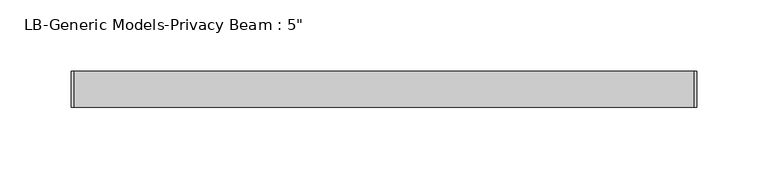
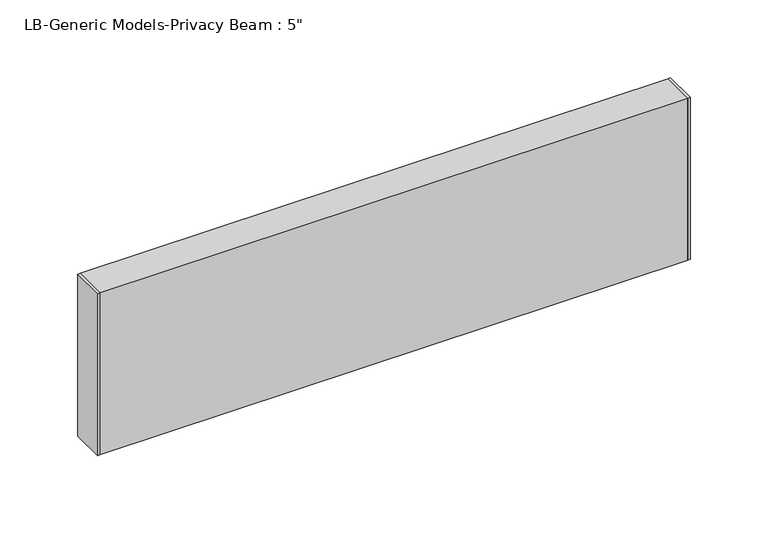
"""IFC4 building model written with IfcOpenShell, lengths in millimetres: proxy geometry."""

from ifc_helpers import new_model, si_unit, frame, origin, place, context, project, spatial, polyline, outline, extrude, source, transform, mapped, element, save


def proxy_92fa7af7(model_context):
    return source(origin(), model_context, "Body", "SweptSolid", [
        extrude(outline(polyline([(0.0, -12.7), (0.0, 12.7), (1.651, 12.7), (1.651, -12.7), (0.0, -12.7)])), frame((0.0, 0.0, -63.5), z_axis=(0.0, 0.0, 1.0), x_axis=(1.0, 0.0, 0.0)), (0.0, 0.0, 1.0), 127.0),
        extrude(outline(polyline([(439.4692238, -12.7), (437.8182238, -12.7), (437.8182238, 12.7), (439.4692238, 12.7), (439.4692238, -12.7)])), frame((0.0, 0.0, -63.5), z_axis=(0.0, 0.0, 1.0), x_axis=(1.0, 0.0, 0.0)), (0.0, 0.0, 1.0), 127.0),
        extrude(outline(polyline([(12.7, 63.5), (12.7, -63.5), (-12.7, -63.5), (-12.7, 63.5), (12.7, 63.5)]), holes=[polyline([(11.176, 61.976), (-11.176, 61.976), (-11.176, -61.976), (11.176, -61.976), (11.176, 61.976)])]), frame((1.651, 0.0, 0.0), z_axis=(1.0, 0.0, 0.0), x_axis=(0.0, 1.0, 0.0)), (0.0, 0.0, 1.0), 436.1672238),
    ])


if __name__ == "__main__":
    model = new_model("IFC4")
    model_context = context("Model", 3, world=origin())
    ifc_project = project(units=[si_unit("LENGTHUNIT", "METRE", prefix="MILLI")], contexts=[model_context])
    site = spatial("IfcSite", under=ifc_project)
    building = spatial("IfcBuilding", under=site)
    placement = place(None, origin())
    proxy_shape = proxy_92fa7af7(model_context)
    element("IfcBuildingElementProxy", 1, Name="LB-Generic Models-Privacy Beam : 5\"", ObjectType="LB-Generic Models-Privacy Beam : 5\"", at=placement, inside=building, context=model_context, shape_type="MappedRepresentation", body=[
        mapped(proxy_shape, transform((0.0, 0.0, 0.0), x_axis=(1.0, 0.0, 0.0), y_axis=(0.0, 1.0, 0.0), z_axis=(0.0, 0.0, 1.0))),
    ])
    save(model, "model.ifc")
